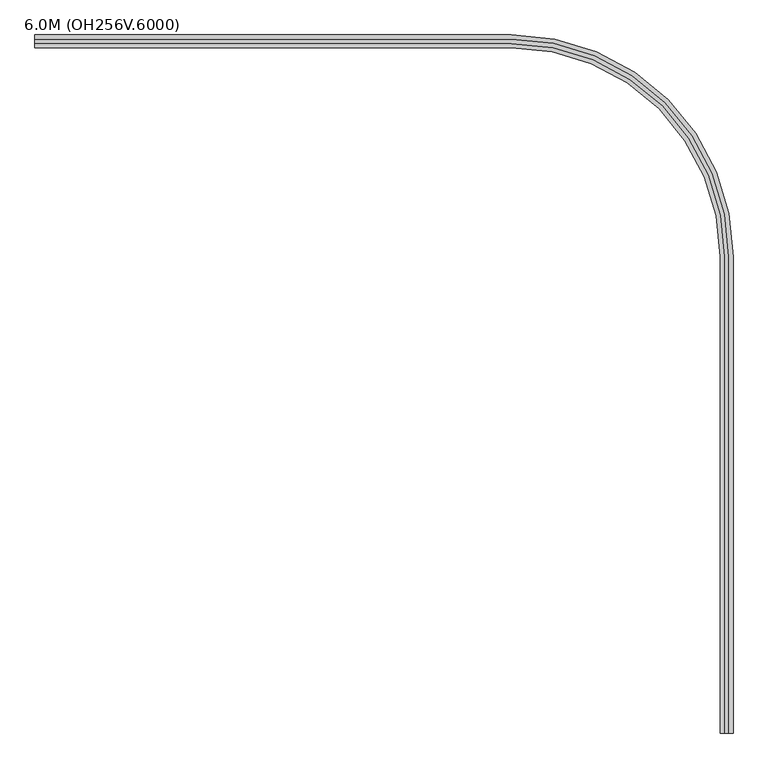
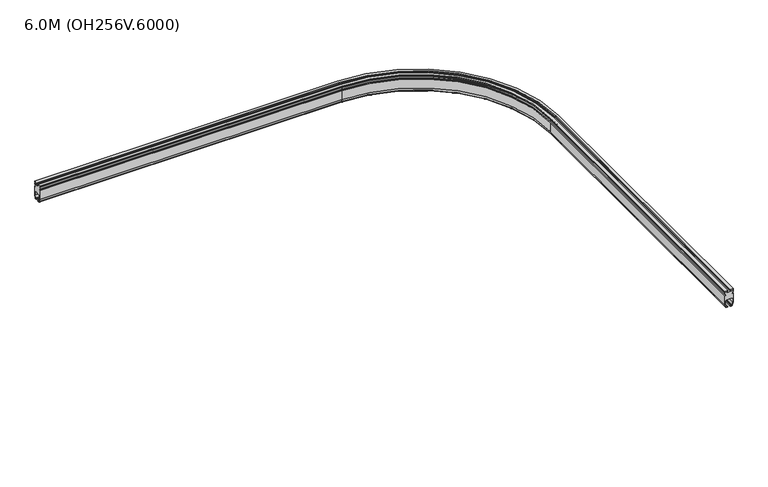
"""IFC4 building model written with IfcOpenShell, lengths in millimetres: proxy geometry, 6.0M (OH256V.6000)."""

from ifc_helpers import new_model, si_unit, point, frame, origin, place, context, project, spatial, polyline, circle_curve, ellipse_curve, trimmed, source, transform, mapped, element, save
from ifc_brep_helpers import plane_surface, cylinder_surface, revolved_surface, advanced_brep


def proxy_6_0m_oh256v_6000_d154af9a(model_context):
    return source(origin(), model_context, "Body", "AdvancedBrep", [
        advanced_brep(
        [(-413.5740481, 330.0, 94.75), (-413.5740481, 330.0, 25.1), (-413.5740481, 324.2674695, 3.7059048), (-413.5740481, 319.4378403, 0.0), (-413.5740481, 309.025, 0.0), (-413.5740481, 309.025, 4.0), (-413.5740481, 317.9031864, 4.0), (-413.5740481, 320.8009638, 6.2235429), (-413.5740481, 326.0, 25.62661), (-413.5740481, 326.0, 55.0), (-413.5740481, 321.0, 60.0), (-413.5740481, 279.0, 60.0), (-413.5740481, 274.0, 55.0), (-413.5740481, 274.0, 25.62661), (-413.5740481, 279.1990362, 6.2235429), (-413.5740481, 282.0968136, 4.0), (-413.5740481, 290.975, 4.0), (-413.5740481, 290.975, 0.0), (-413.5740481, 280.5621597, 0.0), (-413.5740481, 275.7325305, 3.7059048), (-413.5740481, 270.0, 25.1), (-413.5740481, 270.0, 94.75), (-413.5740481, 277.0, 94.75), (-413.5740481, 277.0, 106.75), (-413.5740481, 270.0, 106.75), (-413.5740481, 270.0, 117.0), (-413.5740481, 276.0, 117.0), (-413.5740481, 276.0, 124.0), (-413.5740481, 270.0, 124.0), (-413.5740481, 270.0, 130.0), (-413.5740481, 289.5, 130.0), (-413.5740481, 289.5, 124.0), (-413.5740481, 283.5, 124.0), (-413.5740481, 283.5, 117.0), (-413.5740481, 289.5, 117.0), (-413.5740481, 289.5, 114.0), (-413.5740481, 310.5, 114.0), (-413.5740481, 310.5, 117.0), (-413.5740481, 316.5, 117.0), (-413.5740481, 316.5, 124.0), (-413.5740481, 310.5, 124.0), (-413.5740481, 310.5, 130.0), (-413.5740481, 330.0, 130.0), (-413.5740481, 330.0, 124.0), (-413.5740481, 324.0, 124.0), (-413.5740481, 324.0, 117.0), (-413.5740481, 330.0, 117.0), (-413.5740481, 330.0, 106.75), (-413.5740481, 323.0, 106.75), (-413.5740481, 323.0, 94.75), (1801.0277885, 330.0, 94.75), (1801.0277885, 330.0, 25.1), (1801.0277885, 324.2674695, 3.7059048), (1801.0277885, 319.4378403, 0.0), (2820.4656288, -700.0, 0.0), (2820.4656288, -2914.6018366, 0.0), (2810.0527885, -2914.6018366, 0.0), (2810.0527885, -700.0, 0.0), (1801.0277885, 309.025, 0.0), (1801.0277885, 309.025, 4.0), (2810.0527885, -700.0, 4.0), (2810.0527885, -2914.6018366, 4.0), (2818.9309749, -2914.6018366, 4.0), (2818.9309749, -700.0, 4.0), (1801.0277885, 317.9031864, 4.0), (1801.0277885, 320.8009638, 6.2235429), (1801.0277885, 326.0, 25.62661), (1801.0277885, 326.0, 55.0), (1801.0277885, 321.0, 60.0), (2822.0277885, -700.0, 60.0), (2822.0277885, -2914.6018366, 60.0), (2780.0277885, -2914.6018366, 60.0), (2780.0277885, -700.0, 60.0), (1801.0277885, 279.0, 60.0), (1801.0277885, 274.0, 55.0), (1801.0277885, 274.0, 25.62661), (1801.0277885, 279.1990362, 6.2235429), (1801.0277885, 282.0968136, 4.0), (2783.1246022, -700.0, 4.0), (2783.1246022, -2914.6018366, 4.0), (2792.0027885, -2914.6018366, 4.0), (2792.0027885, -700.0, 4.0), (1801.0277885, 290.975, 4.0), (1801.0277885, 290.975, 0.0), (2792.0027885, -700.0, 0.0), (2792.0027885, -2914.6018366, 0.0), (2781.5899482, -2914.6018366, 0.0), (2781.5899482, -700.0, 0.0), (1801.0277885, 280.5621597, 0.0), (1801.0277885, 275.7325305, 3.7059048), (1801.0277885, 270.0, 25.1), (1801.0277885, 270.0, 94.75), (2771.0277885, -700.0, 94.75), (2771.0277885, -2914.6018366, 94.75), (2778.0277885, -2914.6018366, 94.75), (2778.0277885, -700.0, 94.75), (1801.0277885, 277.0, 94.75), (1801.0277885, 277.0, 106.75), (2778.0277885, -700.0, 106.75), (2778.0277885, -2914.6018366, 106.75), (2771.0277885, -2914.6018366, 106.75), (2771.0277885, -700.0, 106.75), (1801.0277885, 270.0, 106.75), (1801.0277885, 270.0, 117.0), (2771.0277885, -700.0, 117.0), (2771.0277885, -2914.6018366, 117.0), (2777.0277885, -2914.6018366, 117.0), (2777.0277885, -700.0, 117.0), (1801.0277885, 276.0, 117.0), (1801.0277885, 276.0, 124.0), (2777.0277885, -700.0, 124.0), (2777.0277885, -2914.6018366, 124.0), (2771.0277885, -2914.6018366, 124.0), (2771.0277885, -700.0, 124.0), (1801.0277885, 270.0, 124.0), (1801.0277885, 270.0, 130.0), (2771.0277885, -700.0, 130.0), (2771.0277885, -2914.6018366, 130.0), (2790.5277885, -2914.6018366, 130.0), (2790.5277885, -700.0, 130.0), (1801.0277885, 289.5, 130.0), (1801.0277885, 289.5, 124.0), (2790.5277885, -700.0, 124.0), (2790.5277885, -2914.6018366, 124.0), (2784.5277885, -2914.6018366, 124.0), (2784.5277885, -700.0, 124.0), (1801.0277885, 283.5, 124.0), (1801.0277885, 283.5, 117.0), (2784.5277885, -700.0, 117.0), (2784.5277885, -2914.6018366, 117.0), (2790.5277885, -2914.6018366, 117.0), (2790.5277885, -700.0, 117.0), (1801.0277885, 289.5, 117.0), (1801.0277885, 289.5, 114.0), (2790.5277885, -700.0, 114.0), (2790.5277885, -2914.6018366, 114.0), (2811.5277885, -2914.6018366, 114.0), (2811.5277885, -700.0, 114.0), (1801.0277885, 310.5, 114.0), (1801.0277885, 310.5, 117.0), (2811.5277885, -700.0, 117.0), (2811.5277885, -2914.6018366, 117.0), (2817.5277885, -2914.6018366, 117.0), (2817.5277885, -700.0, 117.0), (1801.0277885, 316.5, 117.0), (1801.0277885, 316.5, 124.0), (2817.5277885, -700.0, 124.0), (2817.5277885, -2914.6018366, 124.0), (2811.5277885, -2914.6018366, 124.0), (2811.5277885, -700.0, 124.0), (1801.0277885, 310.5, 124.0), (1801.0277885, 310.5, 130.0), (2811.5277885, -700.0, 130.0), (2811.5277885, -2914.6018366, 130.0), (2831.0277885, -2914.6018366, 130.0), (2831.0277885, -700.0, 130.0), (1801.0277885, 330.0, 130.0), (1801.0277885, 330.0, 124.0), (2831.0277885, -700.0, 124.0), (2831.0277885, -2914.6018366, 124.0), (2825.0277885, -2914.6018366, 124.0), (2825.0277885, -700.0, 124.0), (1801.0277885, 324.0, 124.0), (1801.0277885, 324.0, 117.0), (2825.0277885, -700.0, 117.0), (2825.0277885, -2914.6018366, 117.0), (2831.0277885, -2914.6018366, 117.0), (2831.0277885, -700.0, 117.0), (1801.0277885, 330.0, 117.0), (1801.0277885, 330.0, 106.75), (2831.0277885, -700.0, 106.75), (2831.0277885, -2914.6018366, 106.75), (2824.0277885, -2914.6018366, 106.75), (2824.0277885, -700.0, 106.75), (1801.0277885, 323.0, 106.75), (1801.0277885, 323.0, 94.75), (2824.0277885, -700.0, 94.75), (2824.0277885, -2914.6018366, 94.75), (2831.0277885, -2914.6018366, 94.75), (2831.0277885, -700.0, 94.75), (2831.0277885, -700.0, 25.1), (2825.295258, -700.0, 3.7059048), (2821.8287523, -700.0, 6.2235429), (2827.0277885, -700.0, 25.62661), (2827.0277885, -700.0, 55.0), (2775.0277885, -700.0, 55.0), (2775.0277885, -700.0, 25.62661), (2780.2268247, -700.0, 6.2235429), (2776.760319, -700.0, 3.7059048), (2771.0277885, -700.0, 25.1), (2771.0277885, -2914.6018366, 25.1), (2776.760319, -2914.6018366, 3.7059048), (2780.2268247, -2914.6018366, 6.2235429), (2775.0277885, -2914.6018366, 25.62661), (2775.0277885, -2914.6018366, 55.0), (2827.0277885, -2914.6018366, 55.0), (2827.0277885, -2914.6018366, 25.62661), (2821.8287523, -2914.6018366, 6.2235429), (2825.295258, -2914.6018366, 3.7059048), (2831.0277885, -2914.6018366, 25.1)],
        [
            (0, 1),
            (1, 2),
            (2, 3, circle_curve(frame((-413.5740481, 319.4378403, 5.0), z_axis=(-1.0, 0.0, 0.0), x_axis=(0.0, 0.9659258262890678, -0.2588190451025229)), 5.0)),
            (3, 4),
            (4, 5),
            (5, 6),
            (6, 7, circle_curve(frame((-413.5740481, 317.9031864, 7.0), z_axis=(1.0, 0.0, 0.0), x_axis=(0.0, -0.9659258262890709, 0.25881904510251114)), 3.0)),
            (7, 8),
            (8, 9),
            (9, 10, circle_curve(frame((-413.5740481, 321.0, 55.0), z_axis=(1.0, 0.0, 0.0), x_axis=(0.0, 0.0, -1.0)), 5.0)),
            (10, 11),
            (11, 12, circle_curve(frame((-413.5740481, 279.0, 55.0), z_axis=(1.0, 0.0, 0.0), x_axis=(0.0, 1.0, 0.0)), 5.0)),
            (12, 13),
            (13, 14),
            (14, 15, circle_curve(frame((-413.5740481, 282.0968136, 7.0), z_axis=(1.0, 0.0, 0.0), x_axis=(0.0, 0.0, 1.0)), 3.0)),
            (15, 16),
            (16, 17),
            (17, 18),
            (18, 19, circle_curve(frame((-413.5740481, 280.5621597, 5.0), z_axis=(-1.0, 0.0, 0.0), x_axis=(0.0, -0.9659258262890698, -0.2588190451025158)), 5.0)),
            (19, 20),
            (20, 21),
            (21, 22),
            (22, 23),
            (23, 24),
            (24, 25),
            (25, 26),
            (26, 27),
            (27, 28),
            (28, 29),
            (29, 30),
            (30, 31),
            (31, 32),
            (32, 33),
            (33, 34),
            (34, 35),
            (35, 36),
            (36, 37),
            (37, 38),
            (38, 39),
            (39, 40),
            (40, 41),
            (41, 42),
            (42, 43),
            (43, 44),
            (44, 45),
            (45, 46),
            (46, 47),
            (47, 48),
            (48, 49),
            (49, 0),
            (0, 50),
            (50, 51),
            (51, 1),
            (51, 52),
            (52, 2),
            (52, 53, circle_curve(frame((1801.0277885, 319.4378403, 5.0), z_axis=(-1.0, 0.0, 0.0), x_axis=(0.0, 0.9659258262890678, -0.2588190451025229)), 5.0)),
            (53, 3),
            (53, 54, circle_curve(frame((1801.0277885, -700.0, 0.0), z_axis=(0.0, 0.0, -1.0), x_axis=(0.0, 1.0, 0.0)), 1019.4378403)),
            (54, 55),
            (55, 56),
            (56, 57),
            (57, 58, circle_curve(frame((1801.0277885, -700.0, 0.0), z_axis=(0.0, 0.0, 1.0), x_axis=(0.0, 1.0, 0.0)), 1009.025)),
            (58, 4),
            (58, 59),
            (59, 5),
            (59, 60, circle_curve(frame((1801.0277885, -700.0, 4.0), z_axis=(0.0, 0.0, -1.0), x_axis=(0.0, 1.0, 0.0)), 1009.025)),
            (60, 61),
            (61, 62),
            (62, 63),
            (63, 64, circle_curve(frame((1801.0277885, -700.0, 4.0), z_axis=(0.0, 0.0, 1.0), x_axis=(0.0, 1.0, 0.0)), 1017.9031864)),
            (64, 6),
            (64, 65, circle_curve(frame((1801.0277885, 317.9031864, 7.0), z_axis=(1.0, 0.0, 0.0), x_axis=(0.0, -0.9659258262890709, 0.25881904510251114)), 3.0)),
            (65, 7),
            (65, 66),
            (66, 8),
            (66, 67),
            (67, 9),
            (67, 68, circle_curve(frame((1801.0277885, 321.0, 55.0), z_axis=(1.0, 0.0, 0.0), x_axis=(0.0, 0.0, -1.0)), 5.0)),
            (68, 10),
            (68, 69, circle_curve(frame((1801.0277885, -700.0, 60.0), z_axis=(0.0, 0.0, -1.0), x_axis=(0.0, 1.0, 0.0)), 1021.0)),
            (69, 70),
            (70, 71),
            (71, 72),
            (72, 73, circle_curve(frame((1801.0277885, -700.0, 60.0), z_axis=(0.0, 0.0, 1.0), x_axis=(0.0, 1.0, 0.0)), 979.0)),
            (73, 11),
            (73, 74, circle_curve(frame((1801.0277885, 279.0, 55.0), z_axis=(1.0, 0.0, 0.0), x_axis=(0.0, 1.0, 0.0)), 5.0)),
            (74, 12),
            (74, 75),
            (75, 13),
            (75, 76),
            (76, 14),
            (76, 77, circle_curve(frame((1801.0277885, 282.0968136, 7.0), z_axis=(1.0, 0.0, 0.0), x_axis=(0.0, 0.0, 1.0)), 3.0)),
            (77, 15),
            (77, 78, circle_curve(frame((1801.0277885, -700.0, 4.0), z_axis=(0.0, 0.0, -1.0), x_axis=(0.0, 1.0, 0.0)), 982.0968136)),
            (78, 79),
            (79, 80),
            (80, 81),
            (81, 82, circle_curve(frame((1801.0277885, -700.0, 4.0), z_axis=(0.0, 0.0, 1.0), x_axis=(0.0, 1.0, 0.0)), 990.975)),
            (82, 16),
            (82, 83),
            (83, 17),
            (83, 84, circle_curve(frame((1801.0277885, -700.0, 0.0), z_axis=(0.0, 0.0, -1.0), x_axis=(0.0, 1.0, 0.0)), 990.975)),
            (84, 85),
            (85, 86),
            (86, 87),
            (87, 88, circle_curve(frame((1801.0277885, -700.0, 0.0), z_axis=(0.0, 0.0, 1.0), x_axis=(0.0, 1.0, 0.0)), 980.5621597)),
            (88, 18),
            (88, 89, circle_curve(frame((1801.0277885, 280.5621597, 5.0), z_axis=(-1.0, 0.0, 0.0), x_axis=(0.0, -0.9659258262890698, -0.2588190451025158)), 5.0)),
            (89, 19),
            (89, 90),
            (90, 20),
            (90, 91),
            (91, 21),
            (91, 92, circle_curve(frame((1801.0277885, -700.0, 94.75), z_axis=(0.0, 0.0, -1.0), x_axis=(0.0, 1.0, 0.0)), 970.0)),
            (92, 93),
            (93, 94),
            (94, 95),
            (95, 96, circle_curve(frame((1801.0277885, -700.0, 94.75), z_axis=(0.0, 0.0, 1.0), x_axis=(0.0, 1.0, 0.0)), 977.0)),
            (96, 22),
            (96, 97),
            (97, 23),
            (97, 98, circle_curve(frame((1801.0277885, -700.0, 106.75), z_axis=(0.0, 0.0, -1.0), x_axis=(0.0, 1.0, 0.0)), 977.0)),
            (98, 99),
            (99, 100),
            (100, 101),
            (101, 102, circle_curve(frame((1801.0277885, -700.0, 106.75), z_axis=(0.0, 0.0, 1.0), x_axis=(0.0, 1.0, 0.0)), 970.0)),
            (102, 24),
            (102, 103),
            (103, 25),
            (103, 104, circle_curve(frame((1801.0277885, -700.0, 117.0), z_axis=(0.0, 0.0, -1.0), x_axis=(0.0, 1.0, 0.0)), 970.0)),
            (104, 105),
            (105, 106),
            (106, 107),
            (107, 108, circle_curve(frame((1801.0277885, -700.0, 117.0), z_axis=(0.0, 0.0, 1.0), x_axis=(0.0, 1.0, 0.0)), 976.0)),
            (108, 26),
            (108, 109),
            (109, 27),
            (109, 110, circle_curve(frame((1801.0277885, -700.0, 124.0), z_axis=(0.0, 0.0, -1.0), x_axis=(0.0, 1.0, 0.0)), 976.0)),
            (110, 111),
            (111, 112),
            (112, 113),
            (113, 114, circle_curve(frame((1801.0277885, -700.0, 124.0), z_axis=(0.0, 0.0, 1.0), x_axis=(0.0, 1.0, 0.0)), 970.0)),
            (114, 28),
            (114, 115),
            (115, 29),
            (115, 116, circle_curve(frame((1801.0277885, -700.0, 130.0), z_axis=(0.0, 0.0, -1.0), x_axis=(0.0, 1.0, 0.0)), 970.0)),
            (116, 117),
            (117, 118),
            (118, 119),
            (119, 120, circle_curve(frame((1801.0277885, -700.0, 130.0), z_axis=(0.0, 0.0, 1.0), x_axis=(0.0, 1.0, 0.0)), 989.5)),
            (120, 30),
            (120, 121),
            (121, 31),
            (121, 122, circle_curve(frame((1801.0277885, -700.0, 124.0), z_axis=(0.0, 0.0, -1.0), x_axis=(0.0, 1.0, 0.0)), 989.5)),
            (122, 123),
            (123, 124),
            (124, 125),
            (125, 126, circle_curve(frame((1801.0277885, -700.0, 124.0), z_axis=(0.0, 0.0, 1.0), x_axis=(0.0, 1.0, 0.0)), 983.5)),
            (126, 32),
            (126, 127),
            (127, 33),
            (127, 128, circle_curve(frame((1801.0277885, -700.0, 117.0), z_axis=(0.0, 0.0, -1.0), x_axis=(0.0, 1.0, 0.0)), 983.5)),
            (128, 129),
            (129, 130),
            (130, 131),
            (131, 132, circle_curve(frame((1801.0277885, -700.0, 117.0), z_axis=(0.0, 0.0, 1.0), x_axis=(0.0, 1.0, 0.0)), 989.5)),
            (132, 34),
            (132, 133),
            (133, 35),
            (133, 134, circle_curve(frame((1801.0277885, -700.0, 114.0), z_axis=(0.0, 0.0, -1.0), x_axis=(0.0, 1.0, 0.0)), 989.5)),
            (134, 135),
            (135, 136),
            (136, 137),
            (137, 138, circle_curve(frame((1801.0277885, -700.0, 114.0), z_axis=(0.0, 0.0, 1.0), x_axis=(0.0, 1.0, 0.0)), 1010.5)),
            (138, 36),
            (138, 139),
            (139, 37),
            (139, 140, circle_curve(frame((1801.0277885, -700.0, 117.0), z_axis=(0.0, 0.0, -1.0), x_axis=(0.0, 1.0, 0.0)), 1010.5)),
            (140, 141),
            (141, 142),
            (142, 143),
            (143, 144, circle_curve(frame((1801.0277885, -700.0, 117.0), z_axis=(0.0, 0.0, 1.0), x_axis=(0.0, 1.0, 0.0)), 1016.5)),
            (144, 38),
            (144, 145),
            (145, 39),
            (145, 146, circle_curve(frame((1801.0277885, -700.0, 124.0), z_axis=(0.0, 0.0, -1.0), x_axis=(0.0, 1.0, 0.0)), 1016.5)),
            (146, 147),
            (147, 148),
            (148, 149),
            (149, 150, circle_curve(frame((1801.0277885, -700.0, 124.0), z_axis=(0.0, 0.0, 1.0), x_axis=(0.0, 1.0, 0.0)), 1010.5)),
            (150, 40),
            (150, 151),
            (151, 41),
            (151, 152, circle_curve(frame((1801.0277885, -700.0, 130.0), z_axis=(0.0, 0.0, -1.0), x_axis=(0.0, 1.0, 0.0)), 1010.5)),
            (152, 153),
            (153, 154),
            (154, 155),
            (155, 156, circle_curve(frame((1801.0277885, -700.0, 130.0), z_axis=(0.0, 0.0, 1.0), x_axis=(0.0, 1.0, 0.0)), 1030.0)),
            (156, 42),
            (156, 157),
            (157, 43),
            (157, 158, circle_curve(frame((1801.0277885, -700.0, 124.0), z_axis=(0.0, 0.0, -1.0), x_axis=(0.0, 1.0, 0.0)), 1030.0)),
            (158, 159),
            (159, 160),
            (160, 161),
            (161, 162, circle_curve(frame((1801.0277885, -700.0, 124.0), z_axis=(0.0, 0.0, 1.0), x_axis=(0.0, 1.0, 0.0)), 1024.0)),
            (162, 44),
            (162, 163),
            (163, 45),
            (163, 164, circle_curve(frame((1801.0277885, -700.0, 117.0), z_axis=(0.0, 0.0, -1.0), x_axis=(0.0, 1.0, 0.0)), 1024.0)),
            (164, 165),
            (165, 166),
            (166, 167),
            (167, 168, circle_curve(frame((1801.0277885, -700.0, 117.0), z_axis=(0.0, 0.0, 1.0), x_axis=(0.0, 1.0, 0.0)), 1030.0)),
            (168, 46),
            (168, 169),
            (169, 47),
            (169, 170, circle_curve(frame((1801.0277885, -700.0, 106.75), z_axis=(0.0, 0.0, -1.0), x_axis=(0.0, 1.0, 0.0)), 1030.0)),
            (170, 171),
            (171, 172),
            (172, 173),
            (173, 174, circle_curve(frame((1801.0277885, -700.0, 106.75), z_axis=(0.0, 0.0, 1.0), x_axis=(0.0, 1.0, 0.0)), 1023.0)),
            (174, 48),
            (174, 175),
            (175, 49),
            (175, 176, circle_curve(frame((1801.0277885, -700.0, 94.75), z_axis=(0.0, 0.0, -1.0), x_axis=(0.0, 1.0, 0.0)), 1023.0)),
            (176, 177),
            (177, 178),
            (178, 179),
            (179, 50, circle_curve(frame((1801.0277885, -700.0, 94.75), z_axis=(0.0, 0.0, 1.0), x_axis=(0.0, 1.0, 0.0)), 1030.0)),
            (180, 51, circle_curve(frame((1801.0277885, -700.0, 25.1), z_axis=(0.0, 0.0, 1.0), x_axis=(0.0, 1.0, 0.0)), 1030.0)),
            (179, 180),
            (180, 181),
            (181, 52, circle_curve(frame((1801.0277885, -700.0, 3.7059048), z_axis=(0.0, 0.0, 1.0), x_axis=(0.0, 1.0, 0.0)), 1024.2674695)),
            (181, 54, circle_curve(frame((2820.4656288, -700.0, 5.0), z_axis=(0.0, 1.0000000000000002, 0.0), x_axis=(0.9659258262890671, 0.0, -0.258819045102526)), 5.0)),
            (57, 60),
            (63, 182, circle_curve(frame((2818.9309749, -700.0, 7.0), z_axis=(0.0, -1.0, 0.0), x_axis=(-0.9659258262890702, 0.0, 0.25881904510251424)), 3.0)),
            (182, 65, circle_curve(frame((1801.0277885, -700.0, 6.2235429), z_axis=(0.0, 0.0, 1.0), x_axis=(0.0, 1.0, 0.0)), 1020.8009638)),
            (182, 183),
            (183, 66, circle_curve(frame((1801.0277885, -700.0, 25.62661), z_axis=(0.0, 0.0, 1.0), x_axis=(0.0, 1.0, 0.0)), 1026.0)),
            (183, 184),
            (184, 67, circle_curve(frame((1801.0277885, -700.0, 55.0), z_axis=(0.0, 0.0, 1.0), x_axis=(0.0, 1.0, 0.0)), 1026.0)),
            (184, 69, circle_curve(frame((2822.0277885, -700.0, 55.0), z_axis=(0.0, -1.0, 0.0), x_axis=(0.0, 0.0, -1.0)), 5.0)),
            (72, 185, circle_curve(frame((2780.0277885, -700.0, 55.0), z_axis=(0.0, -1.0, 0.0), x_axis=(1.0, 0.0, 0.0)), 5.0)),
            (185, 74, circle_curve(frame((1801.0277885, -700.0, 55.0), z_axis=(0.0, 0.0, 1.0), x_axis=(0.0, 1.0, 0.0)), 974.0)),
            (185, 186),
            (186, 75, circle_curve(frame((1801.0277885, -700.0, 25.62661), z_axis=(0.0, 0.0, 1.0), x_axis=(0.0, 1.0, 0.0)), 974.0)),
            (186, 187),
            (187, 76, circle_curve(frame((1801.0277885, -700.0, 6.2235429), z_axis=(0.0, 0.0, 1.0), x_axis=(0.0, 1.0, 0.0)), 979.1990362)),
            (187, 78, circle_curve(frame((2783.1246022, -700.0, 7.0), z_axis=(0.0, -1.0, 0.0), x_axis=(0.0, 0.0, 1.0)), 3.0)),
            (81, 84),
            (87, 188, circle_curve(frame((2781.5899482, -700.0, 5.0), z_axis=(0.0, 1.0000000000000002, 0.0), x_axis=(-0.9659258262890704, 0.0, -0.25881904510251263)), 5.0)),
            (188, 89, circle_curve(frame((1801.0277885, -700.0, 3.7059048), z_axis=(0.0, 0.0, 1.0), x_axis=(0.0, 1.0, 0.0)), 975.7325305)),
            (188, 189),
            (189, 90, circle_curve(frame((1801.0277885, -700.0, 25.1), z_axis=(0.0, 0.0, 1.0), x_axis=(0.0, 1.0, 0.0)), 970.0)),
            (189, 92),
            (95, 98),
            (101, 104),
            (107, 110),
            (113, 116),
            (119, 122),
            (125, 128),
            (131, 134),
            (137, 140),
            (143, 146),
            (149, 152),
            (155, 158),
            (161, 164),
            (167, 170),
            (173, 176),
            (177, 172),
            (171, 166),
            (165, 160),
            (159, 154),
            (153, 148),
            (147, 142),
            (141, 136),
            (135, 130),
            (129, 124),
            (123, 118),
            (117, 112),
            (111, 106),
            (105, 100),
            (99, 94),
            (93, 190),
            (190, 191),
            (191, 86, circle_curve(frame((2781.5899482, -2914.6018366, 5.0), z_axis=(0.0, -1.0, 0.0), x_axis=(-0.9659258262890705, 0.0, -0.2588190451025127)), 5.0)),
            (85, 80),
            (79, 192, circle_curve(frame((2783.1246022, -2914.6018366, 7.0), z_axis=(0.0, 1.0, 0.0), x_axis=(0.0, 0.0, 1.0)), 3.0)),
            (192, 193),
            (193, 194),
            (194, 71, circle_curve(frame((2780.0277885, -2914.6018366, 55.0), z_axis=(0.0, 1.0, 0.0), x_axis=(1.0, 0.0, 0.0)), 5.0)),
            (70, 195, circle_curve(frame((2822.0277885, -2914.6018366, 55.0), z_axis=(0.0, 1.0, 0.0), x_axis=(0.0, 0.0, -1.0)), 5.0)),
            (195, 196),
            (196, 197),
            (197, 62, circle_curve(frame((2818.9309749, -2914.6018366, 7.0), z_axis=(0.0, 1.0, 0.0), x_axis=(-0.9659258262890701, 0.0, 0.25881904510251424)), 3.0)),
            (61, 56),
            (55, 198, circle_curve(frame((2820.4656288, -2914.6018366, 5.0), z_axis=(0.0, -1.0, 0.0), x_axis=(0.965925826289067, 0.0, -0.258819045102526)), 5.0)),
            (198, 199),
            (199, 178),
            (199, 180),
            (198, 181),
            (197, 182),
            (196, 183),
            (195, 184),
            (194, 185),
            (193, 186),
            (192, 187),
            (191, 188),
            (190, 189),
        ],
        [
            plane_surface(frame((-413.5740481, 300.0, 0.0), z_axis=(-1.0, 0.0, 0.0), x_axis=(0.0, 0.0, 1.0))),
            plane_surface(frame((-413.5740481, 330.0, 94.75), z_axis=(0.0, 1.0, 0.0), x_axis=(1.0, 0.0, 0.0))),
            plane_surface(frame((-413.5740481, 330.0, 25.1), z_axis=(0.0, 0.9659258262890681, -0.2588190451025215), x_axis=(1.0, 0.0, 0.0))),
            cylinder_surface(frame((-413.5740481, 319.4378403, 5.0), z_axis=(-1.0, 0.0, 0.0), x_axis=(0.0, 0.9659258262890678, -0.2588190451025229)), 5.0),
            plane_surface(frame((-413.5740481, 319.4378403, 0.0), z_axis=(0.0, 0.0, -1.0), x_axis=(1.0, 0.0, 0.0))),
            plane_surface(frame((-413.5740481, 309.025, 0.0), z_axis=(0.0, -1.0, 0.0), x_axis=(1.0, 0.0, 0.0))),
            plane_surface(frame((-413.5740481, 309.025, 4.0), z_axis=(0.0, 0.0, 1.0), x_axis=(1.0, 0.0, 0.0))),
            revolved_surface(polyline([(1801.0277884999998, 315.00540892113276, 7.776457135307533), (-413.5740481, 315.00540892113276, 7.776457135307533)]), (-413.5740481, 317.9031864, 7.0), (1.0, 0.0, 0.0)),
            plane_surface(frame((-413.5740481, 320.8009638, 6.2235429), z_axis=(0.0, -0.9659258262890666, 0.25881904510252696), x_axis=(1.0, 0.0, 0.0))),
            plane_surface(frame((-413.5740481, 326.0, 25.62661), z_axis=(0.0, -1.0, 0.0), x_axis=(1.0, 0.0, 0.0))),
            revolved_surface(polyline([(1801.0277884999998, 321.0, 50.0), (-413.5740481, 321.0, 50.0)]), (-413.5740481, 321.0, 55.0), (1.0, 0.0, 0.0)),
            plane_surface(frame((-413.5740481, 321.0, 60.0), z_axis=(0.0, 0.0, -1.0), x_axis=(1.0, 0.0, 0.0))),
            revolved_surface(polyline([(1801.0277884999998, 284.0, 55.0), (-413.5740481, 284.0, 55.0)]), (-413.5740481, 279.0, 55.0), (1.0, 0.0, 0.0)),
            plane_surface(frame((-413.5740481, 274.0, 55.0), z_axis=(0.0, 1.0, 0.0), x_axis=(1.0, 0.0, 0.0))),
            plane_surface(frame((-413.5740481, 274.0, 25.62661), z_axis=(0.0, 0.9659258262890692, 0.25881904510251774), x_axis=(1.0, 0.0, 0.0))),
            revolved_surface(polyline([(1801.0277884999998, 282.0968136, 10.0), (-413.5740481, 282.0968136, 10.0)]), (-413.5740481, 282.0968136, 7.0), (1.0, 0.0, 0.0)),
            plane_surface(frame((-413.5740481, 282.0968136, 4.0), z_axis=(0.0, 0.0, 1.0), x_axis=(1.0, 0.0, 0.0))),
            plane_surface(frame((-413.5740481, 290.975, 4.0), z_axis=(0.0, 1.0, 0.0), x_axis=(1.0, 0.0, 0.0))),
            plane_surface(frame((-413.5740481, 290.975, 0.0), z_axis=(0.0, 0.0, -1.0), x_axis=(1.0, 0.0, 0.0))),
            cylinder_surface(frame((-413.5740481, 280.5621597, 5.0), z_axis=(-1.0000000000000002, 0.0, 0.0), x_axis=(0.0, -0.9659258262890698, -0.2588190451025158)), 5.0),
            plane_surface(frame((-413.5740481, 275.7325305, 3.7059048), z_axis=(0.0, -0.9659258262890702, -0.25881904510251397), x_axis=(1.0, 0.0, 0.0))),
            plane_surface(frame((-413.5740481, 270.0, 25.1), z_axis=(0.0, -1.0, 0.0), x_axis=(1.0, 0.0, 0.0))),
            plane_surface(frame((-413.5740481, 270.0, 94.75), z_axis=(0.0, 0.0, 1.0), x_axis=(1.0, 0.0, 0.0))),
            plane_surface(frame((-413.5740481, 277.0, 94.75), z_axis=(0.0, -1.0, 0.0), x_axis=(1.0, 0.0, 0.0))),
            plane_surface(frame((-413.5740481, 277.0, 106.75), z_axis=(0.0, 0.0, -1.0), x_axis=(1.0, 0.0, 0.0))),
            plane_surface(frame((-413.5740481, 270.0, 106.75), z_axis=(0.0, -1.0, 0.0), x_axis=(1.0, 0.0, 0.0))),
            plane_surface(frame((-413.5740481, 270.0, 117.0), z_axis=(0.0, 0.0, 1.0), x_axis=(1.0, 0.0, 0.0))),
            plane_surface(frame((-413.5740481, 276.0, 117.0), z_axis=(0.0, -1.0, 0.0), x_axis=(1.0, 0.0, 0.0))),
            plane_surface(frame((-413.5740481, 276.0, 124.0), z_axis=(0.0, 0.0, -1.0), x_axis=(1.0, 0.0, 0.0))),
            plane_surface(frame((-413.5740481, 270.0, 124.0), z_axis=(0.0, -1.0, 0.0), x_axis=(1.0, 0.0, 0.0))),
            plane_surface(frame((-413.5740481, 270.0, 130.0), z_axis=(0.0, 0.0, 1.0), x_axis=(1.0, 0.0, 0.0))),
            plane_surface(frame((-413.5740481, 289.5, 130.0), z_axis=(0.0, 1.0, 0.0), x_axis=(1.0, 0.0, 0.0))),
            plane_surface(frame((-413.5740481, 289.5, 124.0), z_axis=(0.0, 0.0, -1.0), x_axis=(1.0, 0.0, 0.0))),
            plane_surface(frame((-413.5740481, 283.5, 124.0), z_axis=(0.0, 1.0, 0.0), x_axis=(1.0, 0.0, 0.0))),
            plane_surface(frame((-413.5740481, 283.5, 117.0), z_axis=(0.0, 0.0, 1.0), x_axis=(1.0, 0.0, 0.0))),
            plane_surface(frame((-413.5740481, 289.5, 117.0), z_axis=(0.0, 1.0, 0.0), x_axis=(1.0, 0.0, 0.0))),
            plane_surface(frame((-413.5740481, 289.5, 114.0), z_axis=(0.0, 0.0, 1.0), x_axis=(1.0, 0.0, 0.0))),
            plane_surface(frame((-413.5740481, 310.5, 114.0), z_axis=(0.0, -1.0, 0.0), x_axis=(1.0, 0.0, 0.0))),
            plane_surface(frame((-413.5740481, 310.5, 117.0), z_axis=(0.0, 0.0, 1.0), x_axis=(1.0, 0.0, 0.0))),
            plane_surface(frame((-413.5740481, 316.5, 117.0), z_axis=(0.0, -1.0, 0.0), x_axis=(1.0, 0.0, 0.0))),
            plane_surface(frame((-413.5740481, 316.5, 124.0), z_axis=(0.0, 0.0, -1.0), x_axis=(1.0, 0.0, 0.0))),
            plane_surface(frame((-413.5740481, 310.5, 124.0), z_axis=(0.0, -1.0, 0.0), x_axis=(1.0, 0.0, 0.0))),
            plane_surface(frame((-413.5740481, 310.5, 130.0), z_axis=(0.0, 0.0, 1.0), x_axis=(1.0, 0.0, 0.0))),
            plane_surface(frame((-413.5740481, 330.0, 130.0), z_axis=(0.0, 1.0, 0.0), x_axis=(1.0, 0.0, 0.0))),
            plane_surface(frame((-413.5740481, 330.0, 124.0), z_axis=(0.0, 0.0, -1.0), x_axis=(1.0, 0.0, 0.0))),
            plane_surface(frame((-413.5740481, 324.0, 124.0), z_axis=(0.0, 1.0, 0.0), x_axis=(1.0, 0.0, 0.0))),
            plane_surface(frame((-413.5740481, 324.0, 117.0), z_axis=(0.0, 0.0, 1.0), x_axis=(1.0, 0.0, 0.0))),
            plane_surface(frame((-413.5740481, 330.0, 117.0), z_axis=(0.0, 1.0, 0.0), x_axis=(1.0, 0.0, 0.0))),
            plane_surface(frame((-413.5740481, 330.0, 106.75), z_axis=(0.0, 0.0, -1.0), x_axis=(1.0, 0.0, 0.0))),
            plane_surface(frame((-413.5740481, 323.0, 106.75), z_axis=(0.0, 1.0, 0.0), x_axis=(1.0, 0.0, 0.0))),
            plane_surface(frame((-413.5740481, 323.0, 94.75), z_axis=(0.0, 0.0, 1.0), x_axis=(1.0, 0.0, 0.0))),
            cylinder_surface(frame((1801.0277885, -700.0, 0.0), z_axis=(0.0, 0.0, -1.0), x_axis=(0.0, 1.0, 0.0)), 1030.0),
            revolved_surface(polyline([(1801.0277885, 330.0, 25.1), (1801.0277885, 324.2674695, 3.7059048)]), (1801.0277885, -700.0, 0.0), (0.0, 0.0, -1.0)),
            revolved_surface(trimmed(ellipse_curve(frame((1801.0277885, 319.4378403, 5.0), z_axis=(-1.0000000000000002, 0.0, 0.0), x_axis=(0.0, 0.9659258262890679, -0.2588190451025229)), 5.0, 5.0), [point((1801.0277885, 324.2674695, 3.7059048))], [point((1801.0277885, 319.4378403, 0.0))], True, "CARTESIAN"), (1801.0277885, -700.0, 0.0), (0.0, 0.0, -1.0)),
            revolved_surface(polyline([(1801.0277885, 309.025, 0.0), (1801.0277885, 309.025, 4.0)]), (1801.0277885, -700.0, 0.0), (0.0, 0.0, -1.0)),
            revolved_surface(trimmed(ellipse_curve(frame((1801.0277885, 317.9031864, 7.0), z_axis=(1.0, 0.0, 0.0), x_axis=(0.0, -0.965925826289071, 0.25881904510251114)), 3.0, 3.0), [point((1801.0277885, 317.9031864, 4.0))], [point((1801.0277885, 320.8009638, 6.2235429))], True, "CARTESIAN"), (1801.0277885, -700.0, 0.0), (0.0, 0.0, -1.0)),
            revolved_surface(polyline([(1801.0277885, 320.8009638, 6.2235429), (1801.0277885, 326.0, 25.62661)]), (1801.0277885, -700.0, 0.0), (0.0, 0.0, -1.0)),
            revolved_surface(polyline([(1801.0277885, 326.0, 25.62661), (1801.0277885, 326.0, 55.0)]), (1801.0277885, -700.0, 0.0), (0.0, 0.0, -1.0)),
            revolved_surface(trimmed(ellipse_curve(frame((1801.0277885, 321.0, 55.0), z_axis=(1.0, 0.0, 0.0), x_axis=(0.0, 0.0, -1.0)), 5.0, 5.0), [point((1801.0277885, 326.0, 55.0))], [point((1801.0277885, 321.0, 60.0))], True, "CARTESIAN"), (1801.0277885, -700.0, 0.0), (0.0, 0.0, -1.0)),
            revolved_surface(trimmed(ellipse_curve(frame((1801.0277885, 279.0, 55.0), z_axis=(1.0, 0.0, 0.0), x_axis=(0.0, 1.0, 0.0)), 5.0, 5.0), [point((1801.0277885, 279.0, 60.0))], [point((1801.0277885, 274.0, 55.0))], True, "CARTESIAN"), (1801.0277885, -700.0, 0.0), (0.0, 0.0, -1.0)),
            cylinder_surface(frame((1801.0277885, -700.0, 0.0), z_axis=(0.0, 0.0, -1.0), x_axis=(0.0, 1.0, 0.0)), 974.0),
            revolved_surface(polyline([(1801.0277885, 274.0, 25.62661), (1801.0277885, 279.1990362, 6.2235429)]), (1801.0277885, -700.0, 0.0), (0.0, 0.0, -1.0)),
            revolved_surface(trimmed(ellipse_curve(frame((1801.0277885, 282.0968136, 7.0), z_axis=(1.0, 0.0, 0.0), x_axis=(0.0, 0.0, 1.0)), 3.0, 3.0), [point((1801.0277885, 279.1990362, 6.2235429))], [point((1801.0277885, 282.0968136, 4.0))], True, "CARTESIAN"), (1801.0277885, -700.0, 0.0), (0.0, 0.0, -1.0)),
            cylinder_surface(frame((1801.0277885, -700.0, 0.0), z_axis=(0.0, 0.0, -1.0), x_axis=(0.0, 1.0, 0.0)), 990.975),
            revolved_surface(trimmed(ellipse_curve(frame((1801.0277885, 280.5621597, 5.0), z_axis=(-1.0000000000000002, 0.0, 0.0), x_axis=(0.0, -0.9659258262890696, -0.25881904510251574)), 5.0, 5.0), [point((1801.0277885, 280.5621597, 0.0))], [point((1801.0277885, 275.7325305, 3.7059048))], True, "CARTESIAN"), (1801.0277885, -700.0, 0.0), (0.0, 0.0, -1.0)),
            revolved_surface(polyline([(1801.0277885, 275.7325305, 3.7059048), (1801.0277885, 270.0, 25.1)]), (1801.0277885, -700.0, 0.0), (0.0, 0.0, -1.0)),
            revolved_surface(polyline([(1801.0277885, 270.0, 25.1), (1801.0277885, 270.0, 94.75)]), (1801.0277885, -700.0, 0.0), (0.0, 0.0, -1.0)),
            revolved_surface(polyline([(1801.0277885, 277.0, 94.75), (1801.0277885, 277.0, 106.75)]), (1801.0277885, -700.0, 0.0), (0.0, 0.0, -1.0)),
            revolved_surface(polyline([(1801.0277885, 270.0, 106.75), (1801.0277885, 270.0, 117.0)]), (1801.0277885, -700.0, 0.0), (0.0, 0.0, -1.0)),
            revolved_surface(polyline([(1801.0277885, 276.0, 117.0), (1801.0277885, 276.0, 124.0)]), (1801.0277885, -700.0, 0.0), (0.0, 0.0, -1.0)),
            revolved_surface(polyline([(1801.0277885, 270.0, 124.0), (1801.0277885, 270.0, 130.0)]), (1801.0277885, -700.0, 0.0), (0.0, 0.0, -1.0)),
            cylinder_surface(frame((1801.0277885, -700.0, 0.0), z_axis=(0.0, 0.0, -1.0), x_axis=(0.0, 1.0, 0.0)), 989.5),
            cylinder_surface(frame((1801.0277885, -700.0, 0.0), z_axis=(0.0, 0.0, -1.0), x_axis=(0.0, 1.0, 0.0)), 983.5),
            revolved_surface(polyline([(1801.0277885, 310.5, 114.0), (1801.0277885, 310.5, 117.0)]), (1801.0277885, -700.0, 0.0), (0.0, 0.0, -1.0)),
            revolved_surface(polyline([(1801.0277885, 316.5, 117.0), (1801.0277885, 316.5, 124.0)]), (1801.0277885, -700.0, 0.0), (0.0, 0.0, -1.0)),
            revolved_surface(polyline([(1801.0277885, 310.5, 124.0), (1801.0277885, 310.5, 130.0)]), (1801.0277885, -700.0, 0.0), (0.0, 0.0, -1.0)),
            cylinder_surface(frame((1801.0277885, -700.0, 0.0), z_axis=(0.0, 0.0, -1.0), x_axis=(0.0, 1.0, 0.0)), 1024.0),
            cylinder_surface(frame((1801.0277885, -700.0, 0.0), z_axis=(0.0, 0.0, -1.0), x_axis=(0.0, 1.0, 0.0)), 1023.0),
            plane_surface(frame((2801.0277885, -2914.6018366, 0.0), z_axis=(0.0, -1.0, 0.0), x_axis=(0.0, 0.0, 1.0))),
            plane_surface(frame((2831.0277885, -700.0, 94.75), z_axis=(1.0, 0.0, 0.0), x_axis=(0.0, -1.0, 0.0))),
            plane_surface(frame((2831.0277885, -700.0, 25.1), z_axis=(0.9659258262890673, 0.0, -0.2588190451025246), x_axis=(0.0, -1.0, 0.0))),
            cylinder_surface(frame((2820.4656288, -700.0, 5.0), z_axis=(0.0, 1.0000000000000002, 0.0), x_axis=(0.965925826289067, 0.0, -0.258819045102526)), 5.0),
            plane_surface(frame((2810.0527885, -700.0, 0.0), z_axis=(-1.0, 0.0, 0.0), x_axis=(0.0, -1.0, 0.0))),
            revolved_surface(polyline([(2816.0331974211326, -2914.6018366000008, 7.776457135307543), (2816.0331974211326, -700.0, 7.776457135307543)]), (2818.9309749, -700.0, 7.0), (0.0, -1.0000000000000002, 0.0)),
            plane_surface(frame((2821.8287523, -700.0, 6.2235429), z_axis=(-0.9659258262890659, 0.0, 0.25881904510253007), x_axis=(0.0, -1.0, 0.0))),
            plane_surface(frame((2827.0277885, -700.0, 25.62661), z_axis=(-1.0, 0.0, 0.0), x_axis=(0.0, -1.0, 0.0))),
            revolved_surface(polyline([(2822.0277885, -2914.6018366, 50.0), (2822.0277885, -700.0, 50.0)]), (2822.0277885, -700.0, 55.0), (0.0, -1.0, 0.0)),
            revolved_surface(polyline([(2785.0277885, -2914.6018366, 55.0), (2785.0277885, -700.0, 55.0)]), (2780.0277885, -700.0, 55.0), (0.0, -1.0, 0.0)),
            plane_surface(frame((2775.0277885, -700.0, 55.0), z_axis=(1.0, 0.0, 0.0), x_axis=(0.0, -1.0, 0.0))),
            plane_surface(frame((2775.0277885, -700.0, 25.62661), z_axis=(0.96592582628907, 0.0, 0.25881904510251463), x_axis=(0.0, -1.0, 0.0))),
            revolved_surface(polyline([(2783.1246022, -2914.6018366, 10.0), (2783.1246022, -700.0, 10.0)]), (2783.1246022, -700.0, 7.0), (0.0, -1.0, 0.0)),
            plane_surface(frame((2792.0027885, -700.0, 4.0), z_axis=(1.0, 0.0, 0.0), x_axis=(0.0, -1.0, 0.0))),
            cylinder_surface(frame((2781.5899482, -700.0, 5.0), z_axis=(0.0, 1.0000000000000002, 0.0), x_axis=(-0.9659258262890705, 0.0, -0.2588190451025127)), 5.0),
            plane_surface(frame((2776.760319, -700.0, 3.7059048), z_axis=(-0.965925826289071, 0.0, -0.25881904510251086), x_axis=(0.0, -1.0, 0.0))),
            plane_surface(frame((2771.0277885, -700.0, 25.1), z_axis=(-1.0, 0.0, 0.0), x_axis=(0.0, -1.0, 0.0))),
            plane_surface(frame((2778.0277885, -700.0, 94.75), z_axis=(-1.0, 0.0, 0.0), x_axis=(0.0, -1.0, 0.0))),
            plane_surface(frame((2771.0277885, -700.0, 106.75), z_axis=(-1.0, 0.0, 0.0), x_axis=(0.0, -1.0, 0.0))),
            plane_surface(frame((2777.0277885, -700.0, 117.0), z_axis=(-1.0, 0.0, 0.0), x_axis=(0.0, -1.0, 0.0))),
            plane_surface(frame((2771.0277885, -700.0, 124.0), z_axis=(-1.0, 0.0, 0.0), x_axis=(0.0, -1.0, 0.0))),
            plane_surface(frame((2790.5277885, -700.0, 130.0), z_axis=(1.0, 0.0, 0.0), x_axis=(0.0, -1.0, 0.0))),
            plane_surface(frame((2784.5277885, -700.0, 124.0), z_axis=(1.0, 0.0, 0.0), x_axis=(0.0, -1.0, 0.0))),
            plane_surface(frame((2790.5277885, -700.0, 117.0), z_axis=(1.0, 0.0, 0.0), x_axis=(0.0, -1.0, 0.0))),
            plane_surface(frame((2811.5277885, -700.0, 114.0), z_axis=(-1.0, 0.0, 0.0), x_axis=(0.0, -1.0, 0.0))),
            plane_surface(frame((2817.5277885, -700.0, 117.0), z_axis=(-1.0, 0.0, 0.0), x_axis=(0.0, -1.0, 0.0))),
            plane_surface(frame((2811.5277885, -700.0, 124.0), z_axis=(-1.0, 0.0, 0.0), x_axis=(0.0, -1.0, 0.0))),
            plane_surface(frame((2831.0277885, -700.0, 130.0), z_axis=(1.0, 0.0, 0.0), x_axis=(0.0, -1.0, 0.0))),
            plane_surface(frame((2825.0277885, -700.0, 124.0), z_axis=(1.0, 0.0, 0.0), x_axis=(0.0, -1.0, 0.0))),
            plane_surface(frame((2831.0277885, -700.0, 117.0), z_axis=(1.0, 0.0, 0.0), x_axis=(0.0, -1.0, 0.0))),
            plane_surface(frame((2824.0277885, -700.0, 106.75), z_axis=(1.0, 0.0, 0.0), x_axis=(0.0, -1.0, 0.0))),
        ],
        [
            (0, [[1, 2, 3, 4, 5, 6, 7, 8, 9, 10, 11, 12, 13, 14, 15, 16, 17, 18, 19, 20, 21, 22, 23, 24, 25, 26, 27, 28, 29, 30, 31, 32, 33, 34, 35, 36, 37, 38, 39, 40, 41, 42, 43, 44, 45, 46, 47, 48, 49, 50]]),
            (1, [[-1, 51, 52, 53]]),
            (2, [[-2, -53, 54, 55]]),
            (3, [[-3, -55, 56, 57]]),
            (4, [[-4, -57, 58, 59, 60, 61, 62, 63]]),
            (5, [[-5, -63, 64, 65]]),
            (6, [[-6, -65, 66, 67, 68, 69, 70, 71]]),
            (7, [[-7, -71, 72, 73]]),
            (8, [[-8, -73, 74, 75]]),
            (9, [[-9, -75, 76, 77]]),
            (10, [[-10, -77, 78, 79]]),
            (11, [[-11, -79, 80, 81, 82, 83, 84, 85]]),
            (12, [[-12, -85, 86, 87]]),
            (13, [[-13, -87, 88, 89]]),
            (14, [[-14, -89, 90, 91]]),
            (15, [[-15, -91, 92, 93]]),
            (16, [[-16, -93, 94, 95, 96, 97, 98, 99]]),
            (17, [[-17, -99, 100, 101]]),
            (18, [[-18, -101, 102, 103, 104, 105, 106, 107]]),
            (19, [[-19, -107, 108, 109]]),
            (20, [[-20, -109, 110, 111]]),
            (21, [[-21, -111, 112, 113]]),
            (22, [[-22, -113, 114, 115, 116, 117, 118, 119]]),
            (23, [[-23, -119, 120, 121]]),
            (24, [[-24, -121, 122, 123, 124, 125, 126, 127]]),
            (25, [[-25, -127, 128, 129]]),
            (26, [[-26, -129, 130, 131, 132, 133, 134, 135]]),
            (27, [[-27, -135, 136, 137]]),
            (28, [[-28, -137, 138, 139, 140, 141, 142, 143]]),
            (29, [[-29, -143, 144, 145]]),
            (30, [[-30, -145, 146, 147, 148, 149, 150, 151]]),
            (31, [[-31, -151, 152, 153]]),
            (32, [[-32, -153, 154, 155, 156, 157, 158, 159]]),
            (33, [[-33, -159, 160, 161]]),
            (34, [[-34, -161, 162, 163, 164, 165, 166, 167]]),
            (35, [[-35, -167, 168, 169]]),
            (36, [[-36, -169, 170, 171, 172, 173, 174, 175]]),
            (37, [[-37, -175, 176, 177]]),
            (38, [[-38, -177, 178, 179, 180, 181, 182, 183]]),
            (39, [[-39, -183, 184, 185]]),
            (40, [[-40, -185, 186, 187, 188, 189, 190, 191]]),
            (41, [[-41, -191, 192, 193]]),
            (42, [[-42, -193, 194, 195, 196, 197, 198, 199]]),
            (43, [[-43, -199, 200, 201]]),
            (44, [[-44, -201, 202, 203, 204, 205, 206, 207]]),
            (45, [[-45, -207, 208, 209]]),
            (46, [[-46, -209, 210, 211, 212, 213, 214, 215]]),
            (47, [[-47, -215, 216, 217]]),
            (48, [[-48, -217, 218, 219, 220, 221, 222, 223]]),
            (49, [[-49, -223, 224, 225]]),
            (50, [[-50, -225, 226, 227, 228, 229, 230, -51]]),
            (51, [[231, -52, -230, 232]]),
            (52, [[-231, 233, 234, -54]]),
            (53, [[-234, 235, -58, -56]]),
            (54, [[-62, 236, -66, -64]]),
            (55, [[-70, 237, 238, -72]]),
            (56, [[-238, 239, 240, -74]]),
            (57, [[-240, 241, 242, -76]]),
            (58, [[-242, 243, -80, -78]]),
            (59, [[-84, 244, 245, -86]]),
            (60, [[-245, 246, 247, -88]]),
            (61, [[-247, 248, 249, -90]]),
            (62, [[-249, 250, -94, -92]]),
            (63, [[-98, 251, -102, -100]]),
            (64, [[-106, 252, 253, -108]]),
            (65, [[-253, 254, 255, -110]]),
            (66, [[-255, 256, -114, -112]]),
            (67, [[-118, 257, -122, -120]]),
            (68, [[-126, 258, -130, -128]]),
            (69, [[-134, 259, -138, -136]]),
            (70, [[-142, 260, -146, -144]]),
            (71, [[-150, 261, -154, -152]]),
            (72, [[-158, 262, -162, -160]]),
            (71, [[-166, 263, -170, -168]]),
            (73, [[-174, 264, -178, -176]]),
            (74, [[-182, 265, -186, -184]]),
            (75, [[-190, 266, -194, -192]]),
            (51, [[-198, 267, -202, -200]]),
            (76, [[-206, 268, -210, -208]]),
            (51, [[-214, 269, -218, -216]]),
            (77, [[-222, 270, -226, -224]]),
            (78, [[-228, 271, -220, 272, -212, 273, -204, 274, -196, 275, -188, 276, -180, 277, -172, 278, -164, 279, -156, 280, -148, 281, -140, 282, -132, 283, -124, 284, -116, 285, 286, 287, -104, 288, -96, 289, 290, 291, 292, -82, 293, 294, 295, 296, -68, 297, -60, 298, 299, 300]]),
            (79, [[-300, 301, -232, -229]]),
            (80, [[-299, 302, -233, -301]]),
            (81, [[-298, -59, -235, -302]]),
            (82, [[-297, -67, -236, -61]]),
            (83, [[-296, 303, -237, -69]]),
            (84, [[-295, 304, -239, -303]]),
            (85, [[-294, 305, -241, -304]]),
            (86, [[-293, -81, -243, -305]]),
            (87, [[-292, 306, -244, -83]]),
            (88, [[-291, 307, -246, -306]]),
            (89, [[-290, 308, -248, -307]]),
            (90, [[-289, -95, -250, -308]]),
            (91, [[-288, -103, -251, -97]]),
            (92, [[-287, 309, -252, -105]]),
            (93, [[-286, 310, -254, -309]]),
            (94, [[-285, -115, -256, -310]]),
            (95, [[-284, -123, -257, -117]]),
            (96, [[-283, -131, -258, -125]]),
            (97, [[-282, -139, -259, -133]]),
            (98, [[-281, -147, -260, -141]]),
            (99, [[-280, -155, -261, -149]]),
            (100, [[-279, -163, -262, -157]]),
            (101, [[-278, -171, -263, -165]]),
            (102, [[-277, -179, -264, -173]]),
            (103, [[-276, -187, -265, -181]]),
            (104, [[-275, -195, -266, -189]]),
            (105, [[-274, -203, -267, -197]]),
            (106, [[-273, -211, -268, -205]]),
            (107, [[-272, -219, -269, -213]]),
            (108, [[-271, -227, -270, -221]]),
        ],
    ),
    ])


if __name__ == "__main__":
    model = new_model("IFC4")
    model_context = context("Model", 3, world=origin())
    ifc_project = project(units=[si_unit("LENGTHUNIT", "METRE", prefix="MILLI")], contexts=[model_context])
    site = spatial("IfcSite", under=ifc_project)
    building = spatial("IfcBuilding", under=site)
    placement = place(None, origin())
    proxy_6_0m_oh256v_6000_shape = proxy_6_0m_oh256v_6000_d154af9a(model_context)
    element("IfcBuildingElementProxy", 1, Name="6.0M (OH256V.6000)", ObjectType="6.0M (OH256V.6000)", at=placement, inside=building, context=model_context, shape_type="MappedRepresentation", body=[
        mapped(proxy_6_0m_oh256v_6000_shape, transform((0.0, 0.0, 0.0), x_axis=(1.0, 0.0, 0.0), y_axis=(0.0, 1.0, 0.0), z_axis=(0.0, 0.0, 1.0))),
    ])
    save(model, "model.ifc")
